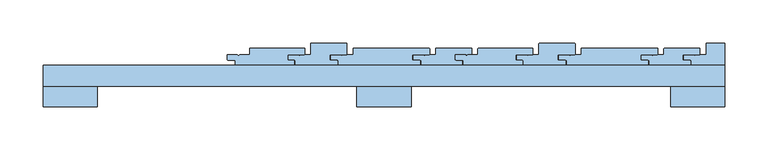
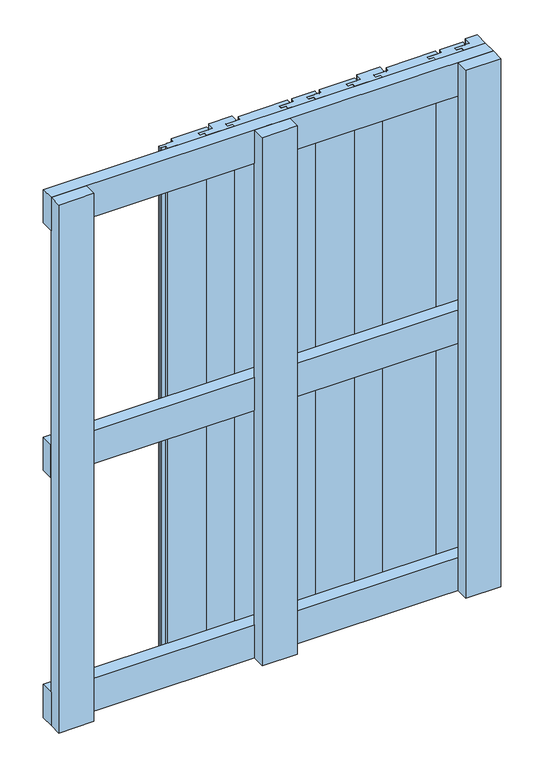
"""IFC4 building model written with IfcOpenShell, lengths in millimetres: window geometry."""

from ifc_helpers import new_model, si_unit, point, frame, frame_2d, origin, place, context, project, spatial, polyline, circle_curve, trimmed, segment, composite_curve, outline, extrude, source, transform, mapped, element, save


def window_dfed9000(model_context):
    return source(origin(), model_context, "Body", "SweptSolid", [
        extrude(outline(polyline([(-359.0, 54.1), (433.0, 54.1), (433.0, 30.1), (-359.0, 30.1), (-359.0, 54.1)])), frame((0.0, 0.0, 568.5), z_axis=(0.0, 0.0, 1.0), x_axis=(1.0, 0.0, 0.0)), (0.0, 0.0, 1.0), 63.0),
        extrude(outline(polyline([(-359.0, 54.0), (433.0, 54.0), (433.0, 30.0), (-359.0, 30.0), (-359.0, 54.0)])), frame((0.0, 0.0, 1037.0), z_axis=(0.0, 0.0, 1.0), x_axis=(1.0, 0.0, 0.0)), (0.0, 0.0, 1.0), 63.0),
        extrude(outline(polyline([(-359.0, 54.0), (433.0, 54.0), (433.0, 30.0), (-359.0, 30.0), (-359.0, 54.0)])), frame((0.0, 0.0, 100.0), z_axis=(0.0, 0.0, 1.0), x_axis=(1.0, 0.0, 0.0)), (0.0, 0.0, 1.0), 63.0),
        extrude(outline(polyline([(68.5, 30.1), (68.5, 6.1), (5.5, 6.1), (5.5, 30.1), (68.5, 30.1)])), frame((0.0, 0.0, 100.0), z_axis=(0.0, 0.0, 1.0), x_axis=(1.0, 0.0, 0.0)), (0.0, 0.0, 1.0), 1000.0),
        extrude(outline(polyline([(433.0, 30.0), (433.0, 6.0), (370.0, 6.0), (370.0, 30.0), (433.0, 30.0)])), frame((0.0, 0.0, 100.0), z_axis=(0.0, 0.0, 1.0), x_axis=(1.0, 0.0, 0.0)), (0.0, 0.0, 1.0), 1000.0),
        extrude(outline(polyline([(-296.0, 30.0), (-296.0, 6.0), (-359.0, 6.0), (-359.0, 30.0), (-296.0, 30.0)])), frame((0.0, 0.0, 100.0), z_axis=(0.0, 0.0, 1.0), x_axis=(1.0, 0.0, 0.0)), (0.0, 0.0, 1.0), 1000.0),
        extrude(outline(composite_curve([segment(trimmed(circle_curve(frame_2d((121.0, 61.25)), 1.0), [point((121.0, 60.25))], [point((120.0, 61.25))], False, "CARTESIAN"), True, "CONTINUOUS"), segment(polyline([(120.0, 61.25), (120.0, 66.25), (131.2641697, 66.25)]), True, "CONTINUOUS"), segment(trimmed(circle_curve(frame_2d((131.2532725, 65.2500594)), 1.0), [point((131.2641697, 66.25))], [point((132.1213296, 65.7465238))], False, "CARTESIAN"), True, "CONTINUOUS"), segment(trimmed(circle_curve(frame_2d((133.0, 66.2239526)), 1.0), [point((132.1213296, 65.7465238))], [point((133.8786704, 65.7465238))], True, "CARTESIAN"), True, "CONTINUOUS"), segment(trimmed(circle_curve(frame_2d((134.7468786, 65.2497192)), 1.0003001), [point((133.8786704, 65.7465238))], [point((134.7406766, 66.25))], False, "CARTESIAN"), True, "CONTINUOUS"), segment(polyline([(134.7406766, 66.25), (146.0, 66.25), (146.0, 73.0000073)]), True, "CONTINUOUS"), segment(trimmed(circle_curve(frame_2d((147.0, 73.0000073)), 1.0), [point((146.0, 73.0000073))], [point((147.0038108, 74.0))], False, "CARTESIAN"), True, "CONTINUOUS"), segment(polyline([(147.0038108, 74.0), (208.9963541, 74.0)]), True, "CONTINUOUS"), segment(trimmed(circle_curve(frame_2d((209.000165, 73.0000073)), 1.0), [point((208.9963541, 74.0))], [point((210.0, 72.9818438))], False, "CARTESIAN"), True, "CONTINUOUS"), segment(polyline([(210.0, 72.9818438), (210.0, 67.5)]), True, "CONTINUOUS"), segment(trimmed(circle_curve(frame_2d((209.0, 67.5)), 1.0), [point((210.0, 67.5))], [point((209.0, 66.5))], False, "CARTESIAN"), True, "CONTINUOUS"), segment(polyline([(209.0, 66.5), (190.0, 66.5), (190.0, 60.0), (197.0, 60.0)]), True, "CONTINUOUS"), segment(trimmed(circle_curve(frame_2d((197.0, 59.0)), 1.0), [point((197.0, 60.0))], [point((198.0, 59.0))], False, "CARTESIAN"), True, "CONTINUOUS"), segment(polyline([(198.0, 59.0), (198.0, 54.0), (129.0, 54.0), (129.0, 60.25), (121.0, 60.25)]), True, "CONTINUOUS")], self_intersect=False)), frame((0.0, 0.0, 100.0), z_axis=(0.0, 0.0, 1.0), x_axis=(1.0, 0.0, 0.0)), (0.0, 0.0, 1.0), 1000.0),
        extrude(outline(composite_curve([segment(trimmed(circle_curve(frame_2d((192.0, 61.25)), 1.0), [point((192.0, 60.25))], [point((191.0, 61.25))], False, "CARTESIAN"), True, "CONTINUOUS"), segment(polyline([(191.0, 61.25), (191.0, 66.25), (202.2641697, 66.25)]), True, "CONTINUOUS"), segment(trimmed(circle_curve(frame_2d((202.2532725, 65.2500594)), 1.0), [point((202.2641697, 66.25))], [point((203.1213296, 65.7465238))], False, "CARTESIAN"), True, "CONTINUOUS"), segment(trimmed(circle_curve(frame_2d((204.0, 66.2239526)), 1.0), [point((203.1213296, 65.7465238))], [point((204.8786704, 65.7465238))], True, "CARTESIAN"), True, "CONTINUOUS"), segment(trimmed(circle_curve(frame_2d((205.7468786, 65.2497192)), 1.0003001), [point((204.8786704, 65.7465238))], [point((205.7406766, 66.25))], False, "CARTESIAN"), True, "CONTINUOUS"), segment(polyline([(205.7406766, 66.25), (217.0, 66.25), (217.0, 79.0000073)]), True, "CONTINUOUS"), segment(trimmed(circle_curve(frame_2d((218.0, 79.0000073)), 1.0), [point((217.0, 79.0000073))], [point((218.0038108, 80.0))], False, "CARTESIAN"), True, "CONTINUOUS"), segment(polyline([(218.0038108, 80.0), (257.9963541, 80.0)]), True, "CONTINUOUS"), segment(trimmed(circle_curve(frame_2d((258.000165, 79.0000073)), 1.0), [point((257.9963541, 80.0))], [point((259.0, 78.9818438))], False, "CARTESIAN"), True, "CONTINUOUS"), segment(polyline([(259.0, 78.9818438), (259.0, 67.5)]), True, "CONTINUOUS"), segment(trimmed(circle_curve(frame_2d((258.0, 67.5)), 1.0), [point((259.0, 67.5))], [point((258.0, 66.5))], False, "CARTESIAN"), True, "CONTINUOUS"), segment(polyline([(258.0, 66.5), (239.0, 66.5), (239.0, 60.0), (247.0, 60.0)]), True, "CONTINUOUS"), segment(trimmed(circle_curve(frame_2d((247.0, 59.0)), 1.0), [point((247.0, 60.0))], [point((248.0, 59.0))], False, "CARTESIAN"), True, "CONTINUOUS"), segment(polyline([(248.0, 59.0), (248.0, 54.0), (199.0, 54.0), (199.0, 60.25), (192.0, 60.25)]), True, "CONTINUOUS")], self_intersect=False)), frame((0.0, 0.0, 100.0), z_axis=(0.0, 0.0, 1.0), x_axis=(1.0, 0.0, 0.0)), (0.0, 0.0, 1.0), 1000.0),
        extrude(outline(composite_curve([segment(trimmed(circle_curve(frame_2d((241.0, 61.25)), 1.0), [point((241.0, 60.25))], [point((240.0, 61.25))], False, "CARTESIAN"), True, "CONTINUOUS"), segment(polyline([(240.0, 61.25), (240.0, 66.25), (251.2641697, 66.25)]), True, "CONTINUOUS"), segment(trimmed(circle_curve(frame_2d((251.2532725, 65.2500594)), 1.0), [point((251.2641697, 66.25))], [point((252.1213296, 65.7465238))], False, "CARTESIAN"), True, "CONTINUOUS"), segment(trimmed(circle_curve(frame_2d((253.0, 66.2239526)), 1.0), [point((252.1213296, 65.7465238))], [point((253.8786704, 65.7465238))], True, "CARTESIAN"), True, "CONTINUOUS"), segment(trimmed(circle_curve(frame_2d((254.7468786, 65.2497192)), 1.0003001), [point((253.8786704, 65.7465238))], [point((254.7406766, 66.25))], False, "CARTESIAN"), True, "CONTINUOUS"), segment(polyline([(254.7406766, 66.25), (266.0, 66.25), (266.0, 73.0000073)]), True, "CONTINUOUS"), segment(trimmed(circle_curve(frame_2d((267.0, 73.0000073)), 1.0), [point((266.0, 73.0000073))], [point((267.0038108, 74.0))], False, "CARTESIAN"), True, "CONTINUOUS"), segment(polyline([(267.0038108, 74.0), (353.9963541, 74.0)]), True, "CONTINUOUS"), segment(trimmed(circle_curve(frame_2d((354.000165, 73.0000073)), 1.0), [point((353.9963541, 74.0))], [point((355.0, 72.9818438))], False, "CARTESIAN"), True, "CONTINUOUS"), segment(polyline([(355.0, 72.9818438), (355.0, 67.5)]), True, "CONTINUOUS"), segment(trimmed(circle_curve(frame_2d((354.0, 67.5)), 1.0), [point((355.0, 67.5))], [point((354.0, 66.5))], False, "CARTESIAN"), True, "CONTINUOUS"), segment(polyline([(354.0, 66.5), (335.0, 66.5), (335.0, 60.0), (343.0, 60.0)]), True, "CONTINUOUS"), segment(trimmed(circle_curve(frame_2d((343.0, 59.0)), 1.0), [point((343.0, 60.0))], [point((344.0, 59.0))], False, "CARTESIAN"), True, "CONTINUOUS"), segment(polyline([(344.0, 59.0), (344.0, 54.0), (249.0, 54.0), (249.0, 60.25), (241.0, 60.25)]), True, "CONTINUOUS")], self_intersect=False)), frame((0.0, 0.0, 100.0), z_axis=(0.0, 0.0, 1.0), x_axis=(1.0, 0.0, 0.0)), (0.0, 0.0, 1.0), 1000.0),
        extrude(outline(composite_curve([segment(trimmed(circle_curve(frame_2d((337.0, 61.25)), 1.0), [point((337.0, 60.25))], [point((336.0, 61.25))], False, "CARTESIAN"), True, "CONTINUOUS"), segment(polyline([(336.0, 61.25), (336.0, 66.25), (347.2641697, 66.25)]), True, "CONTINUOUS"), segment(trimmed(circle_curve(frame_2d((347.2532725, 65.2500594)), 1.0), [point((347.2641697, 66.25))], [point((348.1213296, 65.7465238))], False, "CARTESIAN"), True, "CONTINUOUS"), segment(trimmed(circle_curve(frame_2d((349.0, 66.2239526)), 1.0), [point((348.1213296, 65.7465238))], [point((349.8786704, 65.7465238))], True, "CARTESIAN"), True, "CONTINUOUS"), segment(trimmed(circle_curve(frame_2d((350.7468786, 65.2497192)), 1.0003001), [point((349.8786704, 65.7465238))], [point((350.7406766, 66.25))], False, "CARTESIAN"), True, "CONTINUOUS"), segment(polyline([(350.7406766, 66.25), (362.0, 66.25), (362.0, 73.0000073)]), True, "CONTINUOUS"), segment(trimmed(circle_curve(frame_2d((363.0, 73.0000073)), 1.0), [point((362.0, 73.0000073))], [point((363.0038108, 74.0))], False, "CARTESIAN"), True, "CONTINUOUS"), segment(polyline([(363.0038108, 74.0), (402.9963541, 74.0)]), True, "CONTINUOUS"), segment(trimmed(circle_curve(frame_2d((403.000165, 73.0000073)), 1.0), [point((402.9963541, 74.0))], [point((404.0, 72.9818438))], False, "CARTESIAN"), True, "CONTINUOUS"), segment(polyline([(404.0, 72.9818438), (404.0, 67.5)]), True, "CONTINUOUS"), segment(trimmed(circle_curve(frame_2d((403.0, 67.5)), 1.0), [point((404.0, 67.5))], [point((403.0, 66.5))], False, "CARTESIAN"), True, "CONTINUOUS"), segment(polyline([(403.0, 66.5), (384.0, 66.5), (384.0, 60.0), (392.0, 60.0)]), True, "CONTINUOUS"), segment(trimmed(circle_curve(frame_2d((392.0, 59.0)), 1.0), [point((392.0, 60.0))], [point((393.0, 59.0))], False, "CARTESIAN"), True, "CONTINUOUS"), segment(polyline([(393.0, 59.0), (393.0, 54.0), (345.0, 54.0), (345.0, 60.25), (337.0, 60.25)]), True, "CONTINUOUS")], self_intersect=False)), frame((0.0, 0.0, 100.0), z_axis=(0.0, 0.0, 1.0), x_axis=(1.0, 0.0, 0.0)), (0.0, 0.0, 1.0), 1000.0),
        extrude(outline(composite_curve([segment(trimmed(circle_curve(frame_2d((-144.0, 61.25)), 1.0), [point((-144.0, 60.25))], [point((-145.0, 61.25))], False, "CARTESIAN"), True, "CONTINUOUS"), segment(polyline([(-145.0, 61.25), (-145.0, 66.25), (-133.7358303, 66.25)]), True, "CONTINUOUS"), segment(trimmed(circle_curve(frame_2d((-133.7467275, 65.2500594)), 1.0), [point((-133.7358303, 66.25))], [point((-132.8786704, 65.7465238))], False, "CARTESIAN"), True, "CONTINUOUS"), segment(trimmed(circle_curve(frame_2d((-132.0, 66.2239526)), 1.0), [point((-132.8786704, 65.7465238))], [point((-131.1213296, 65.7465238))], True, "CARTESIAN"), True, "CONTINUOUS"), segment(trimmed(circle_curve(frame_2d((-130.2531214, 65.2497192)), 1.0003001), [point((-131.1213296, 65.7465238))], [point((-130.2593234, 66.25))], False, "CARTESIAN"), True, "CONTINUOUS"), segment(polyline([(-130.2593234, 66.25), (-119.0, 66.25), (-119.0, 73.0000073)]), True, "CONTINUOUS"), segment(trimmed(circle_curve(frame_2d((-118.0, 73.0000073)), 1.0), [point((-119.0, 73.0000073))], [point((-117.9961892, 74.0))], False, "CARTESIAN"), True, "CONTINUOUS"), segment(polyline([(-117.9961892, 74.0), (-56.0036459, 74.0)]), True, "CONTINUOUS"), segment(trimmed(circle_curve(frame_2d((-55.999835, 73.0000073)), 1.0), [point((-56.0036459, 74.0))], [point((-55.0, 72.9818438))], False, "CARTESIAN"), True, "CONTINUOUS"), segment(polyline([(-55.0, 72.9818438), (-55.0, 67.5)]), True, "CONTINUOUS"), segment(trimmed(circle_curve(frame_2d((-56.0, 67.5)), 1.0), [point((-55.0, 67.5))], [point((-56.0, 66.5))], False, "CARTESIAN"), True, "CONTINUOUS"), segment(polyline([(-56.0, 66.5), (-75.0, 66.5), (-75.0, 60.0), (-68.0, 60.0)]), True, "CONTINUOUS"), segment(trimmed(circle_curve(frame_2d((-68.0, 59.0)), 1.0), [point((-68.0, 60.0))], [point((-67.0, 59.0))], False, "CARTESIAN"), True, "CONTINUOUS"), segment(polyline([(-67.0, 59.0), (-67.0, 54.0), (-136.0, 54.0), (-136.0, 60.25), (-144.0, 60.25)]), True, "CONTINUOUS")], self_intersect=False)), frame((0.0, 0.0, 100.0), z_axis=(0.0, 0.0, 1.0), x_axis=(1.0, 0.0, 0.0)), (0.0, 0.0, 1.0), 1000.0),
        extrude(outline(composite_curve([segment(trimmed(circle_curve(frame_2d((-73.0, 61.25)), 1.0), [point((-73.0, 60.25))], [point((-74.0, 61.25))], False, "CARTESIAN"), True, "CONTINUOUS"), segment(polyline([(-74.0, 61.25), (-74.0, 66.25), (-62.7358303, 66.25)]), True, "CONTINUOUS"), segment(trimmed(circle_curve(frame_2d((-62.7467275, 65.2500594)), 1.0), [point((-62.7358303, 66.25))], [point((-61.8786704, 65.7465238))], False, "CARTESIAN"), True, "CONTINUOUS"), segment(trimmed(circle_curve(frame_2d((-61.0, 66.2239526)), 1.0), [point((-61.8786704, 65.7465238))], [point((-60.1213296, 65.7465238))], True, "CARTESIAN"), True, "CONTINUOUS"), segment(trimmed(circle_curve(frame_2d((-59.2531214, 65.2497192)), 1.0003001), [point((-60.1213296, 65.7465238))], [point((-59.2593234, 66.25))], False, "CARTESIAN"), True, "CONTINUOUS"), segment(polyline([(-59.2593234, 66.25), (-48.0, 66.25), (-48.0, 79.0000073)]), True, "CONTINUOUS"), segment(trimmed(circle_curve(frame_2d((-47.0, 79.0000073)), 1.0), [point((-48.0, 79.0000073))], [point((-46.9961892, 80.0))], False, "CARTESIAN"), True, "CONTINUOUS"), segment(polyline([(-46.9961892, 80.0), (-7.0036459, 80.0)]), True, "CONTINUOUS"), segment(trimmed(circle_curve(frame_2d((-6.999835, 79.0000073)), 1.0), [point((-7.0036459, 80.0))], [point((-6.0, 78.9818438))], False, "CARTESIAN"), True, "CONTINUOUS"), segment(polyline([(-6.0, 78.9818438), (-6.0, 67.5)]), True, "CONTINUOUS"), segment(trimmed(circle_curve(frame_2d((-7.0, 67.5)), 1.0), [point((-6.0, 67.5))], [point((-7.0, 66.5))], False, "CARTESIAN"), True, "CONTINUOUS"), segment(polyline([(-7.0, 66.5), (-26.0, 66.5), (-26.0, 60.0), (-18.0, 60.0)]), True, "CONTINUOUS"), segment(trimmed(circle_curve(frame_2d((-18.0, 59.0)), 1.0), [point((-18.0, 60.0))], [point((-17.0, 59.0))], False, "CARTESIAN"), True, "CONTINUOUS"), segment(polyline([(-17.0, 59.0), (-17.0, 54.0), (-66.0, 54.0), (-66.0, 60.25), (-73.0, 60.25)]), True, "CONTINUOUS")], self_intersect=False)), frame((0.0, 0.0, 100.0), z_axis=(0.0, 0.0, 1.0), x_axis=(1.0, 0.0, 0.0)), (0.0, 0.0, 1.0), 1000.0),
        extrude(outline(composite_curve([segment(trimmed(circle_curve(frame_2d((-24.0, 61.25)), 1.0), [point((-24.0, 60.25))], [point((-25.0, 61.25))], False, "CARTESIAN"), True, "CONTINUOUS"), segment(polyline([(-25.0, 61.25), (-25.0, 66.25), (-13.7358303, 66.25)]), True, "CONTINUOUS"), segment(trimmed(circle_curve(frame_2d((-13.7467275, 65.2500594)), 1.0), [point((-13.7358303, 66.25))], [point((-12.8786704, 65.7465238))], False, "CARTESIAN"), True, "CONTINUOUS"), segment(trimmed(circle_curve(frame_2d((-12.0, 66.2239526)), 1.0), [point((-12.8786704, 65.7465238))], [point((-11.1213296, 65.7465238))], True, "CARTESIAN"), True, "CONTINUOUS"), segment(trimmed(circle_curve(frame_2d((-10.2531214, 65.2497192)), 1.0003001), [point((-11.1213296, 65.7465238))], [point((-10.2593234, 66.25))], False, "CARTESIAN"), True, "CONTINUOUS"), segment(polyline([(-10.2593234, 66.25), (1.0, 66.25), (1.0, 73.0000073)]), True, "CONTINUOUS"), segment(trimmed(circle_curve(frame_2d((2.0, 73.0000073)), 1.0), [point((1.0, 73.0000073))], [point((2.0038108, 74.0))], False, "CARTESIAN"), True, "CONTINUOUS"), segment(polyline([(2.0038108, 74.0), (88.9963541, 74.0)]), True, "CONTINUOUS"), segment(trimmed(circle_curve(frame_2d((89.000165, 73.0000073)), 1.0), [point((88.9963541, 74.0))], [point((90.0, 72.9818438))], False, "CARTESIAN"), True, "CONTINUOUS"), segment(polyline([(90.0, 72.9818438), (90.0, 67.5)]), True, "CONTINUOUS"), segment(trimmed(circle_curve(frame_2d((89.0, 67.5)), 1.0), [point((90.0, 67.5))], [point((89.0, 66.5))], False, "CARTESIAN"), True, "CONTINUOUS"), segment(polyline([(89.0, 66.5), (70.0, 66.5), (70.0, 60.0), (78.0, 60.0)]), True, "CONTINUOUS"), segment(trimmed(circle_curve(frame_2d((78.0, 59.0)), 1.0), [point((78.0, 60.0))], [point((79.0, 59.0))], False, "CARTESIAN"), True, "CONTINUOUS"), segment(polyline([(79.0, 59.0), (79.0, 54.0), (-16.0, 54.0), (-16.0, 60.25), (-24.0, 60.25)]), True, "CONTINUOUS")], self_intersect=False)), frame((0.0, 0.0, 100.0), z_axis=(0.0, 0.0, 1.0), x_axis=(1.0, 0.0, 0.0)), (0.0, 0.0, 1.0), 1000.0),
        extrude(outline(composite_curve([segment(trimmed(circle_curve(frame_2d((72.0, 61.25)), 1.0), [point((72.0, 60.25))], [point((71.0, 61.25))], False, "CARTESIAN"), True, "CONTINUOUS"), segment(polyline([(71.0, 61.25), (71.0, 66.25), (82.2641697, 66.25)]), True, "CONTINUOUS"), segment(trimmed(circle_curve(frame_2d((82.2532725, 65.2500594)), 1.0), [point((82.2641697, 66.25))], [point((83.1213296, 65.7465238))], False, "CARTESIAN"), True, "CONTINUOUS"), segment(trimmed(circle_curve(frame_2d((84.0, 66.2239526)), 1.0), [point((83.1213296, 65.7465238))], [point((84.8786704, 65.7465238))], True, "CARTESIAN"), True, "CONTINUOUS"), segment(trimmed(circle_curve(frame_2d((85.7468786, 65.2497192)), 1.0003001), [point((84.8786704, 65.7465238))], [point((85.7406766, 66.25))], False, "CARTESIAN"), True, "CONTINUOUS"), segment(polyline([(85.7406766, 66.25), (97.0, 66.25), (97.0, 73.0000073)]), True, "CONTINUOUS"), segment(trimmed(circle_curve(frame_2d((98.0, 73.0000073)), 1.0), [point((97.0, 73.0000073))], [point((98.0038108, 74.0))], False, "CARTESIAN"), True, "CONTINUOUS"), segment(polyline([(98.0038108, 74.0), (137.9963541, 74.0)]), True, "CONTINUOUS"), segment(trimmed(circle_curve(frame_2d((138.000165, 73.0000073)), 1.0), [point((137.9963541, 74.0))], [point((139.0, 72.9818438))], False, "CARTESIAN"), True, "CONTINUOUS"), segment(polyline([(139.0, 72.9818438), (139.0, 67.5)]), True, "CONTINUOUS"), segment(trimmed(circle_curve(frame_2d((138.0, 67.5)), 1.0), [point((139.0, 67.5))], [point((138.0, 66.5))], False, "CARTESIAN"), True, "CONTINUOUS"), segment(polyline([(138.0, 66.5), (119.0, 66.5), (119.0, 60.0), (127.0, 60.0)]), True, "CONTINUOUS"), segment(trimmed(circle_curve(frame_2d((127.0, 59.0)), 1.0), [point((127.0, 60.0))], [point((128.0, 59.0))], False, "CARTESIAN"), True, "CONTINUOUS"), segment(polyline([(128.0, 59.0), (128.0, 54.0), (80.0, 54.0), (80.0, 60.25), (72.0, 60.25)]), True, "CONTINUOUS")], self_intersect=False)), frame((0.0, 0.0, 100.0), z_axis=(0.0, 0.0, 1.0), x_axis=(1.0, 0.0, 0.0)), (0.0, 0.0, 1.0), 1000.0),
        extrude(outline(composite_curve([segment(trimmed(circle_curve(frame_2d((386.0, 61.25)), 1.0), [point((386.0, 60.25))], [point((385.0, 61.25))], False, "CARTESIAN"), True, "CONTINUOUS"), segment(polyline([(385.0, 61.25), (385.0, 66.25), (396.2641697, 66.25)]), True, "CONTINUOUS"), segment(trimmed(circle_curve(frame_2d((396.2532725, 65.2500594)), 1.0), [point((396.2641697, 66.25))], [point((397.1213296, 65.7465238))], False, "CARTESIAN"), True, "CONTINUOUS"), segment(trimmed(circle_curve(frame_2d((398.0, 66.2239526)), 1.0), [point((397.1213296, 65.7465238))], [point((398.8786704, 65.7465238))], True, "CARTESIAN"), True, "CONTINUOUS"), segment(trimmed(circle_curve(frame_2d((399.7468786, 65.2497192)), 1.0003001), [point((398.8786704, 65.7465238))], [point((399.7406766, 66.25))], False, "CARTESIAN"), True, "CONTINUOUS"), segment(polyline([(399.7406766, 66.25), (411.0, 66.25), (411.0, 79.0000073)]), True, "CONTINUOUS"), segment(trimmed(circle_curve(frame_2d((412.0, 79.0000073)), 1.0), [point((411.0, 79.0000073))], [point((412.0038108, 80.0))], False, "CARTESIAN"), True, "CONTINUOUS"), segment(polyline([(412.0038108, 80.0), (433.0, 80.0), (433.0, 54.0), (394.0, 54.0), (394.0, 60.25), (386.0, 60.25)]), True, "CONTINUOUS")], self_intersect=False)), frame((0.0, 0.0, 100.0), z_axis=(0.0, 0.0, 1.0), x_axis=(1.0, 0.0, 0.0)), (0.0, 0.0, 1.0), 1000.0),
    ])


if __name__ == "__main__":
    model = new_model("IFC4")
    model_context = context("Model", 3, world=origin())
    ifc_project = project(units=[si_unit("LENGTHUNIT", "METRE", prefix="MILLI")], contexts=[model_context])
    site = spatial("IfcSite", under=ifc_project)
    building = spatial("IfcBuilding", under=site)
    placement = place(None, origin())
    window_shape = window_dfed9000(model_context)
    element("IfcWindow", 1, at=placement, inside=building, context=model_context, shape_type="MappedRepresentation", body=[
        mapped(window_shape, transform((0.0, 0.0, 0.0), x_axis=(1.0, 0.0, 0.0), y_axis=(0.0, 1.0, 0.0), z_axis=(0.0, 0.0, 1.0))),
    ])
    save(model, "model.ifc")
